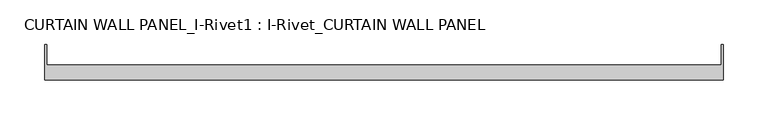
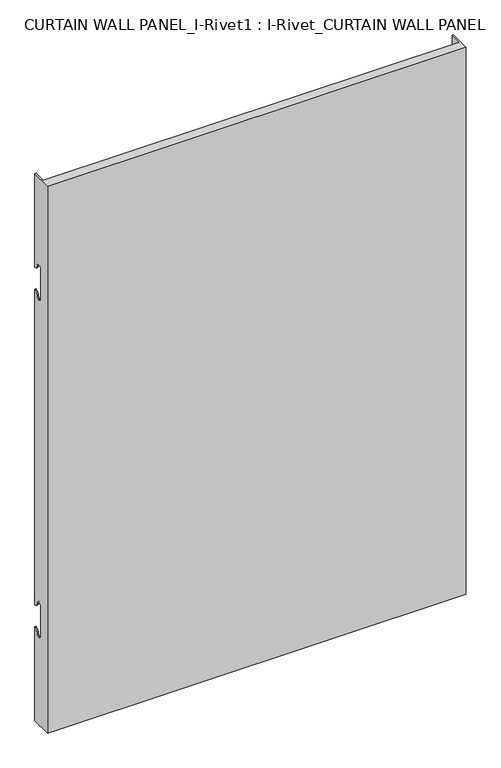
"""IFC4 building model written with IfcOpenShell, lengths in millimetres: plate geometry, CURTAIN WALL PANEL_I-Rivet1 : I-Rivet_CURTAIN WALL PANEL."""

import ifcopenshell
import ifcopenshell.guid

model = None  # the IFC model being written
_history = None  # IfcOwnerHistory: only IFC2X3 demands one
_inside = {}  # id of a spatial element -> (the spatial element, [elements in it])
_under = {}  # id of a project, library or spatial element -> (it, [spatial elements below it])
_declared = {}  # id of a project -> (the project, [libraries it declares])
_typed = {}  # id of a type object -> (the type object, [elements of that type])
_made_of = {}  # id of a material, layer set ... -> (it, [elements and type objects made of it])


def new_model(schema):
    """Start an empty IFC model of exactly this schema.

    Asked for "IFC4X3", IfcOpenShell would pick the latest addendum, in which some entities
    have other attributes; the version numbers below select the first issue.
    IFC2X3 requires an IfcOwnerHistory on every rooted entity: one is made here for all.
    """
    global model, _history
    if schema == "IFC4X3":
        model = ifcopenshell.file(schema_version=(4, 3, 0, 0))
    else:
        model = ifcopenshell.file(schema=schema)
    _inside.clear()
    _under.clear()
    _declared.clear()
    _typed.clear()
    _made_of.clear()
    _history = None
    if model.schema == "IFC2X3":
        org = make("IfcOrganization", Name="unknown")
        user = make(
            "IfcPersonAndOrganization",
            ThePerson=make("IfcPerson", FamilyName="unknown"),
            TheOrganization=org,
        )
        app = make(
            "IfcApplication",
            ApplicationDeveloper=org,
            Version="unknown",
            ApplicationFullName="unknown",
            ApplicationIdentifier="unknown",
        )
        _history = make(
            "IfcOwnerHistory",
            OwningUser=user,
            OwningApplication=app,
            ChangeAction="ADDED",
            CreationDate=0,
        )
    return model


def make(cls, **values):
    """One entity of the class cls with the attributes given. An attribute that is None is left unset."""
    return model.create_entity(
        cls, **{name: value for name, value in values.items() if value is not None}
    )


def rooted(cls, **values):
    """An entity with a GlobalId (a new one), such as an element, a storey or a relation."""
    return make(cls, GlobalId=ifcopenshell.guid.new(), OwnerHistory=_history, **values)


def si_unit(unit_type, name, prefix=None):
    """IfcSIUnit, for example si_unit("LENGTHUNIT", "METRE", prefix="MILLI")."""
    return make("IfcSIUnit", UnitType=unit_type, Prefix=prefix, Name=name)


def assignment(units):
    """IfcUnitAssignment: the units of a project."""
    return None if units is None else make("IfcUnitAssignment", Units=units)


def point(xyz):
    """IfcCartesianPoint."""
    return None if xyz is None else make("IfcCartesianPoint", Coordinates=xyz)


def direction(xyz):
    """IfcDirection."""
    return None if xyz is None else make("IfcDirection", DirectionRatios=xyz)


def frame(location, z_axis=None, x_axis=None):
    """IfcAxis2Placement3D, a coordinate frame: its origin and axes. An axis left out is left unset."""
    return make(
        "IfcAxis2Placement3D",
        Location=point(location),
        Axis=direction(z_axis),
        RefDirection=direction(x_axis),
    )


def origin():
    """The frame at (0, 0, 0) with its axes left unset."""
    return frame((0.0, 0.0, 0.0))


def place(relative_to, where):
    """IfcLocalPlacement: puts the frame where relative to a parent placement (None: the world)."""
    return make(
        "IfcLocalPlacement", PlacementRelTo=relative_to, RelativePlacement=where
    )


def context(
    kind, dimensions, precision=None, world=None, true_north=None, identifier=None
):
    """IfcGeometricRepresentationContext, for example the 3D "Model" context."""
    return make(
        "IfcGeometricRepresentationContext",
        ContextIdentifier=identifier,
        ContextType=kind,
        CoordinateSpaceDimension=dimensions,
        Precision=precision,
        WorldCoordinateSystem=world,
        TrueNorth=true_north,
    )


def project(units=None, contexts=None):
    """IfcProject with its units and contexts."""
    return rooted(
        "IfcProject",
        Name="project",
        RepresentationContexts=contexts,
        UnitsInContext=assignment(units),
    )


def spatial(cls, under=None, at=None, **own):
    """A site, building, storey or space (cls), placed at a placement, below another one or the project."""
    s = rooted(cls, ObjectPlacement=at, **own)
    if under is not None:
        _under.setdefault(under.id(), (under, []))[1].append(s)
    return s


def polyline(points):
    """IfcPolyline through the points."""
    return make("IfcPolyline", Points=[point(p) for p in points])


def circle_curve(where, radius):
    """IfcCircle in the frame where."""
    return make("IfcCircle", Position=where, Radius=radius)


def shape(context_of_items, identifier, shape_type, items):
    """IfcShapeRepresentation: the items that make up one representation, for example the "Body"."""
    return make(
        "IfcShapeRepresentation",
        ContextOfItems=context_of_items,
        RepresentationIdentifier=identifier,
        RepresentationType=shape_type,
        Items=items,
    )


def source(mapping_origin, context_of_items, identifier, shape_type, items):
    """IfcRepresentationMap: a shape defined once, which mapped items show again and again."""
    return make(
        "IfcRepresentationMap",
        MappingOrigin=mapping_origin,
        MappedRepresentation=shape(context_of_items, identifier, shape_type, items),
    )


def transform(
    local_origin,
    x_axis=None,
    y_axis=None,
    z_axis=None,
    scale=None,
    scale2=None,
    scale3=None,
    uniform=True,
):
    """IfcCartesianTransformationOperator3D, or its non-uniform kind. x_axis, y_axis, z_axis: its Axis1, 2, 3."""
    if uniform:
        return make(
            "IfcCartesianTransformationOperator3D",
            Axis1=direction(x_axis),
            Axis2=direction(y_axis),
            LocalOrigin=point(local_origin),
            Scale=scale,
            Axis3=direction(z_axis),
        )
    return make(
        "IfcCartesianTransformationOperator3DnonUniform",
        Axis1=direction(x_axis),
        Axis2=direction(y_axis),
        LocalOrigin=point(local_origin),
        Scale=scale,
        Axis3=direction(z_axis),
        Scale2=scale2,
        Scale3=scale3,
    )


def mapped(mapping_source, mapping_target):
    """IfcMappedItem: shows the shape of a source again, moved by a transform."""
    return make(
        "IfcMappedItem", MappingSource=mapping_source, MappingTarget=mapping_target
    )


def made_of(thing, what):
    """Note that an element or type object is made of a material, layer set ...; save() writes the relation."""
    if what is not None:
        _made_of.setdefault(what.id(), (what, []))[1].append(thing)
    return thing


def element(
    cls,
    number,
    at=None,
    inside=None,
    cuts=None,
    type_object=None,
    material=None,
    context=None,
    identifier="Body",
    shape_type=None,
    held_by="IfcProductDefinitionShape",
    body=None,
    shapes=None,
    **own,
):
    """One element of the class cls, such as IfcWall. Its Tag is "e" and its number.

    at: its placement. inside: the storey or other place that contains it. cuts: it is an
    opening in that element (IfcRelVoidsElement). A single representation is given by context,
    identifier, shape_type and body (its items); several are given by shapes. held_by: the class
    of the entity that holds the representations. save() writes the other relations.
    """
    e = rooted(cls, Tag="e%d" % number, ObjectPlacement=at, **own)
    if body is not None:
        shapes = [shape(context, identifier, shape_type, body)]
    if shapes is not None:
        e.Representation = make(held_by, Representations=shapes)
    if inside is not None:
        _inside.setdefault(inside.id(), (inside, []))[1].append(e)
    if cuts is not None:
        rooted(
            "IfcRelVoidsElement", RelatingBuildingElement=cuts, RelatedOpeningElement=e
        )
    if type_object is not None:
        _typed.setdefault(type_object.id(), (type_object, []))[1].append(e)
    return made_of(e, material)


def aggregate(whole, parts):
    """IfcRelAggregates: a whole, such as a stair, and the parts it consists of."""
    return rooted("IfcRelAggregates", RelatingObject=whole, RelatedObjects=parts)


def save(model, path):
    """Write the relations noted so far, then the file.

    IfcRelAggregates (storeys below a building ...), IfcRelContainedInSpatialStructure (elements
    in a storey), IfcRelDefinesByType, IfcRelAssociatesMaterial and IfcRelDeclares: one each for
    every whole, place, type object, material and project.
    """
    for whole, parts in _under.values():
        aggregate(whole, parts)
    for where, things in _inside.values():
        rooted(
            "IfcRelContainedInSpatialStructure",
            RelatedElements=things,
            RelatingStructure=where,
        )
    for kind, things in _typed.values():
        rooted("IfcRelDefinesByType", RelatedObjects=things, RelatingType=kind)
    for what, things in _made_of.values():
        rooted("IfcRelAssociatesMaterial", RelatedObjects=things, RelatingMaterial=what)
    for by, libraries in _declared.values():
        rooted("IfcRelDeclares", RelatingContext=by, RelatedDefinitions=libraries)
    model.write(path)


def plane_surface(at):
    """IfcPlane: the flat surface through the origin of the frame at, square to its z axis."""
    return make("IfcPlane", Position=at)


def cylinder_surface(at, radius):
    """IfcCylindricalSurface: all points at the distance radius from the z axis of the frame at."""
    return make("IfcCylindricalSurface", Position=at, Radius=radius)


def revolved_surface(curve, axis_point, axis_direction):
    """IfcSurfaceOfRevolution: the curve turned about the line through axis_point along axis_direction."""
    return make(
        "IfcSurfaceOfRevolution",
        SweptCurve=make("IfcArbitraryOpenProfileDef", ProfileType="CURVE", Curve=curve),
        AxisPosition=make("IfcAxis1Placement", Location=point(axis_point), Axis=direction(axis_direction)),
    )


def advanced_brep(points, edges, surfaces, faces):
    """IfcAdvancedBrep: a solid bounded by faces that lie on surfaces and meet in shared edges.

    An edge is (start, end): straight between two places in points (the first is 0);
    or (start, end, curve); or (start, end, curve, False) where it runs against its curve.
    A face is (place in surfaces, loops), or (place, loops, False) where it looks against
    its surface's normal. A loop lists edges by number (the first is 1), with a minus sign
    where the edge is run from its end to its start. The first loop is the outer one.
    """
    corners = [point(p) for p in points]
    vertices = [make("IfcVertexPoint", VertexGeometry=c) for c in corners]
    made = []
    for start, end, *more in edges:
        made.append(
            make(
                "IfcEdgeCurve",
                EdgeStart=vertices[start],
                EdgeEnd=vertices[end],
                EdgeGeometry=more[0] if more else make("IfcPolyline", Points=[corners[start], corners[end]]),
                SameSense=more[1] if len(more) > 1 else True,
            )
        )
    hull = []
    for where, loops, *sense in faces:
        bounds = []
        for j, loop in enumerate(loops):
            ring = [make("IfcOrientedEdge", EdgeElement=made[abs(k) - 1], Orientation=k > 0) for k in loop]
            bounds.append(
                make(
                    "IfcFaceOuterBound" if j == 0 else "IfcFaceBound",
                    Bound=make("IfcEdgeLoop", EdgeList=ring),
                    Orientation=True,
                )
            )
        hull.append(make("IfcAdvancedFace", Bounds=bounds, FaceSurface=surfaces[where], SameSense=sense[0] if sense else True))
    return make("IfcAdvancedBrep", Outer=make("IfcClosedShell", CfsFaces=hull))


def curtain_wall_panel_i_rivet1_i_rivet_curtain_wall_panel_6802e562(model_context):
    return source(origin(), model_context, "Body", "AdvancedBrep", [
        advanced_brep(
        [(-378.5, -85.0, 1045.0), (378.5, -85.0, 1045.0), (378.5, -45.3384103, 1045.0), (376.5, -45.3384103, 1045.0), (376.5, -68.0, 1045.0), (-376.5, -68.0, 1045.0), (-376.5, -45.3384103, 1045.0), (-378.5, -45.3384103, 1045.0), (-378.5, -85.0, 0.0), (-378.5, -45.3384103, 0.0), (-376.5, -45.3384103, 0.0), (-376.5, -68.0, 0.0), (376.5, -68.0, 0.0), (376.5, -45.3384103, 0.0), (378.5, -45.3384103, 0.0), (378.5, -85.0, 0.0), (-378.5, -45.3384103, 866.0), (-378.5, -52.3384103, 873.0), (-378.5, -63.3384103, 873.0), (-378.5, -63.3384103, 817.0), (-378.5, -52.3384103, 817.0), (-378.5, -45.3384103, 824.0), (-378.5, -45.3384103, 221.0), (-378.5, -52.3384103, 228.0), (-378.5, -63.3384103, 228.0), (-378.5, -63.3384103, 172.0), (-378.5, -52.3384103, 172.0), (-378.5, -45.3384103, 179.0), (-376.5, -45.3384103, 179.0), (-376.5, -45.3384103, 824.0), (-376.5, -45.3384103, 221.0), (-376.5, -45.3384103, 866.0), (378.5, -45.3384103, 866.0), (376.5, -45.3384103, 866.0), (376.5, -45.3384103, 179.0), (378.5, -45.3384103, 179.0), (376.5, -45.3384103, 221.0), (376.5, -45.3384103, 824.0), (378.5, -45.3384103, 824.0), (378.5, -45.3384103, 221.0), (378.5, -52.3384103, 172.0), (378.5, -63.3384103, 172.0), (378.5, -63.3384103, 228.0), (378.5, -52.3384103, 228.0), (378.5, -52.3384103, 817.0), (378.5, -63.3384103, 817.0), (378.5, -63.3384103, 873.0), (378.5, -52.3384103, 873.0), (-376.5, -52.3384103, 172.0), (-376.5, -63.3384103, 172.0), (-376.5, -63.3384103, 228.0), (-376.5, -52.3384103, 228.0), (-376.5, -52.3384103, 817.0), (-376.5, -63.3384103, 817.0), (-376.5, -63.3384103, 873.0), (-376.5, -52.3384103, 873.0), (376.5, -52.3384103, 873.0), (376.5, -63.3384103, 873.0), (376.5, -63.3384103, 817.0), (376.5, -52.3384103, 817.0), (376.5, -52.3384103, 228.0), (376.5, -63.3384103, 228.0), (376.5, -63.3384103, 172.0), (376.5, -52.3384103, 172.0)],
        [
            (0, 1),
            (1, 2),
            (2, 3),
            (3, 4),
            (4, 5),
            (5, 6),
            (6, 7),
            (7, 0),
            (8, 9),
            (9, 10),
            (10, 11),
            (11, 12),
            (12, 13),
            (13, 14),
            (14, 15),
            (15, 8),
            (7, 16),
            (16, 17, circle_curve(frame((-378.5, -45.3384103, 873.0), z_axis=(-1.0, 0.0, 0.0), x_axis=(0.0, -1.0, 0.0)), 7.0)),
            (17, 18, circle_curve(frame((-378.5, -57.8384103, 873.0), z_axis=(1.0, 0.0, 0.0), x_axis=(0.0, -1.0, 0.0)), 5.5)),
            (18, 19),
            (19, 20, circle_curve(frame((-378.5, -57.8384103, 817.0), z_axis=(1.0, 0.0, 0.0), x_axis=(0.0, -1.0, 0.0)), 5.5)),
            (20, 21, circle_curve(frame((-378.5, -45.3384103, 817.0), z_axis=(-1.0, 0.0, 0.0), x_axis=(0.0, -1.0, 0.0)), 7.0)),
            (21, 22),
            (22, 23, circle_curve(frame((-378.5, -45.3384103, 228.0), z_axis=(-1.0, 0.0, 0.0), x_axis=(0.0, -1.0, 0.0)), 7.0)),
            (23, 24, circle_curve(frame((-378.5, -57.8384103, 228.0), z_axis=(1.0, 0.0, 0.0), x_axis=(0.0, -1.0, 0.0)), 5.5)),
            (24, 25),
            (25, 26, circle_curve(frame((-378.5, -57.8384103, 172.0), z_axis=(1.0, 0.0, 0.0), x_axis=(0.0, -1.0, 0.0)), 5.5)),
            (26, 27, circle_curve(frame((-378.5, -45.3384103, 172.0), z_axis=(-1.0, 0.0, 0.0), x_axis=(0.0, -1.0, 0.0)), 7.0)),
            (27, 9),
            (8, 0),
            (27, 28),
            (28, 10),
            (21, 29),
            (29, 30),
            (30, 22),
            (6, 31),
            (31, 16),
            (2, 32),
            (32, 33),
            (33, 3),
            (13, 34),
            (34, 35),
            (35, 14),
            (36, 37),
            (37, 38),
            (38, 39),
            (39, 36),
            (1, 15),
            (35, 40, circle_curve(frame((378.5, -45.3384103, 172.0), z_axis=(1.0, 0.0, 0.0), x_axis=(0.0, -1.0, 0.0)), 7.0)),
            (40, 41, circle_curve(frame((378.5, -57.8384103, 172.0), z_axis=(-1.0, 0.0, 0.0), x_axis=(0.0, -1.0, 0.0)), 5.5)),
            (41, 42),
            (42, 43, circle_curve(frame((378.5, -57.8384103, 228.0), z_axis=(-1.0, 0.0, 0.0), x_axis=(0.0, -1.0, 0.0)), 5.5)),
            (43, 39, circle_curve(frame((378.5, -45.3384103, 228.0), z_axis=(1.0, 0.0, 0.0), x_axis=(0.0, -1.0, 0.0)), 7.0)),
            (38, 44, circle_curve(frame((378.5, -45.3384103, 817.0), z_axis=(1.0, 0.0, 0.0), x_axis=(0.0, -1.0, 0.0)), 7.0)),
            (44, 45, circle_curve(frame((378.5, -57.8384103, 817.0), z_axis=(-1.0, 0.0, 0.0), x_axis=(0.0, -1.0, 0.0)), 5.5)),
            (45, 46),
            (46, 47, circle_curve(frame((378.5, -57.8384103, 873.0), z_axis=(-1.0, 0.0, 0.0), x_axis=(0.0, -1.0, 0.0)), 5.5)),
            (47, 32, circle_curve(frame((378.5, -45.3384103, 873.0), z_axis=(1.0, 0.0, 0.0), x_axis=(0.0, -1.0, 0.0)), 7.0)),
            (5, 11),
            (28, 48, circle_curve(frame((-376.5, -45.3384103, 172.0), z_axis=(1.0, 0.0, 0.0), x_axis=(0.0, -1.0, 0.0)), 7.0)),
            (48, 49, circle_curve(frame((-376.5, -57.8384103, 172.0), z_axis=(-1.0, 0.0, 0.0), x_axis=(0.0, -1.0, 0.0)), 5.5)),
            (49, 50),
            (50, 51, circle_curve(frame((-376.5, -57.8384103, 228.0), z_axis=(-1.0, 0.0, 0.0), x_axis=(0.0, -1.0, 0.0)), 5.5)),
            (51, 30, circle_curve(frame((-376.5, -45.3384103, 228.0), z_axis=(1.0, 0.0, 0.0), x_axis=(0.0, -1.0, 0.0)), 7.0)),
            (29, 52, circle_curve(frame((-376.5, -45.3384103, 817.0), z_axis=(1.0, 0.0, 0.0), x_axis=(0.0, -1.0, 0.0)), 7.0)),
            (52, 53, circle_curve(frame((-376.5, -57.8384103, 817.0), z_axis=(-1.0, 0.0, 0.0), x_axis=(0.0, -1.0, 0.0)), 5.5)),
            (53, 54),
            (54, 55, circle_curve(frame((-376.5, -57.8384103, 873.0), z_axis=(-1.0, 0.0, 0.0), x_axis=(0.0, -1.0, 0.0)), 5.5)),
            (55, 31, circle_curve(frame((-376.5, -45.3384103, 873.0), z_axis=(1.0, 0.0, 0.0), x_axis=(0.0, -1.0, 0.0)), 7.0)),
            (33, 56, circle_curve(frame((376.5, -45.3384103, 873.0), z_axis=(-1.0, 0.0, 0.0), x_axis=(0.0, -1.0, 0.0)), 7.0)),
            (56, 57, circle_curve(frame((376.5, -57.8384103, 873.0), z_axis=(1.0, 0.0, 0.0), x_axis=(0.0, -1.0, 0.0)), 5.5)),
            (57, 58),
            (58, 59, circle_curve(frame((376.5, -57.8384103, 817.0), z_axis=(1.0, 0.0, 0.0), x_axis=(0.0, -1.0, 0.0)), 5.5)),
            (59, 37, circle_curve(frame((376.5, -45.3384103, 817.0), z_axis=(-1.0, 0.0, 0.0), x_axis=(0.0, -1.0, 0.0)), 7.0)),
            (36, 60, circle_curve(frame((376.5, -45.3384103, 228.0), z_axis=(-1.0, 0.0, 0.0), x_axis=(0.0, -1.0, 0.0)), 7.0)),
            (60, 61, circle_curve(frame((376.5, -57.8384103, 228.0), z_axis=(1.0, 0.0, 0.0), x_axis=(0.0, -1.0, 0.0)), 5.5)),
            (61, 62),
            (62, 63, circle_curve(frame((376.5, -57.8384103, 172.0), z_axis=(1.0, 0.0, 0.0), x_axis=(0.0, -1.0, 0.0)), 5.5)),
            (63, 34, circle_curve(frame((376.5, -45.3384103, 172.0), z_axis=(-1.0, 0.0, 0.0), x_axis=(0.0, -1.0, 0.0)), 7.0)),
            (12, 4),
            (41, 62),
            (61, 42),
            (49, 25),
            (24, 50),
            (40, 63),
            (48, 26),
            (51, 23),
            (43, 60),
            (18, 54),
            (53, 19),
            (57, 46),
            (45, 58),
            (17, 55),
            (56, 47),
            (59, 44),
            (20, 52),
        ],
        [
            plane_surface(frame((-378.5, -45.3384103, 1045.0), z_axis=(0.0, 0.0, 1.0), x_axis=(0.0, 1.0, 0.0))),
            plane_surface(frame((-378.5, -45.3384103, 0.0), z_axis=(0.0, 0.0, -1.0), x_axis=(0.0, -1.0, 0.0))),
            plane_surface(frame((-378.5, -85.0, 1045.0), z_axis=(-1.0, 0.0, 0.0), x_axis=(0.0, 0.0, -1.0))),
            plane_surface(frame((-378.5, -45.3384103, 1045.0), z_axis=(0.0, 1.0, 0.0), x_axis=(0.0, 0.0, -1.0))),
            plane_surface(frame((376.5, -45.3384103, 1045.0), z_axis=(0.0, 1.0, 0.0), x_axis=(0.0, 0.0, -1.0))),
            plane_surface(frame((378.5, -45.3384103, 1045.0), z_axis=(1.0, 0.0, 0.0), x_axis=(0.0, 0.0, -1.0))),
            plane_surface(frame((378.5, -85.0, 1045.0), z_axis=(0.0, -1.0, 0.0), x_axis=(0.0, 0.0, -1.0))),
            plane_surface(frame((-376.5, -45.3384103, 1045.0), z_axis=(1.0, 0.0, 0.0), x_axis=(0.0, 0.0, -1.0))),
            plane_surface(frame((376.5, -68.0, 1045.0), z_axis=(-1.0, 0.0, 0.0), x_axis=(0.0, 0.0, -1.0))),
            plane_surface(frame((-377.5, -68.0, 1045.0), z_axis=(0.0, 1.0, 0.0), x_axis=(0.0, 0.0, -1.0))),
            plane_surface(frame((-378.5, -63.3384103, 228.0), z_axis=(0.0, 1.0, 0.0), x_axis=(1.0, 0.0, 0.0))),
            revolved_surface(polyline([(376.5, -63.3384103, 172.0), (378.5, -63.3384103, 172.0)]), (-378.5, -57.8384103, 172.0), (-1.0, 0.0, 0.0)),
            revolved_surface(polyline([(-378.5, -63.3384103, 172.0), (-376.5, -63.3384103, 172.0)]), (-378.5, -57.8384103, 172.0), (-1.0, 0.0, 0.0)),
            cylinder_surface(frame((-378.5, -45.3384103, 172.0), z_axis=(1.0, 0.0, 0.0), x_axis=(0.0, -1.0, 0.0)), 7.0),
            cylinder_surface(frame((-378.5, -45.3384103, 228.0), z_axis=(1.0, 0.0, 0.0), x_axis=(0.0, -1.0, 0.0)), 7.0),
            revolved_surface(polyline([(-378.5, -63.3384103, 228.0), (-376.5, -63.3384103, 228.0)]), (-378.5, -57.8384103, 228.0), (-1.0, 0.0, 0.0)),
            revolved_surface(polyline([(376.5, -63.3384103, 228.0), (378.5, -63.3384103, 228.0)]), (-378.5, -57.8384103, 228.0), (-1.0, 0.0, 0.0)),
            plane_surface(frame((378.5, -63.3384103, 817.0), z_axis=(0.0, 1.0, 0.0), x_axis=(-1.0, 0.0, 0.0))),
            revolved_surface(polyline([(-376.5, -63.3384103, 873.0), (-378.5, -63.3384103, 873.0)]), (378.5, -57.8384103, 873.0), (1.0, 0.0, 0.0)),
            revolved_surface(polyline([(378.5, -63.3384103, 873.0), (376.5, -63.3384103, 873.0)]), (378.5, -57.8384103, 873.0), (1.0, 0.0, 0.0)),
            cylinder_surface(frame((378.5, -45.3384103, 873.0), z_axis=(-1.0, 0.0, 0.0), x_axis=(0.0, -1.0, 0.0)), 7.0),
            cylinder_surface(frame((378.5, -45.3384103, 817.0), z_axis=(-1.0, 0.0, 0.0), x_axis=(0.0, -1.0, 0.0)), 7.0),
            revolved_surface(polyline([(378.5, -63.3384103, 817.0), (376.5, -63.3384103, 817.0)]), (378.5, -57.8384103, 817.0), (1.0, 0.0, 0.0)),
            revolved_surface(polyline([(-376.5, -63.3384103, 817.0), (-378.5, -63.3384103, 817.0)]), (378.5, -57.8384103, 817.0), (1.0, 0.0, 0.0)),
        ],
        [
            (0, [[1, 2, 3, 4, 5, 6, 7, 8]]),
            (1, [[9, 10, 11, 12, 13, 14, 15, 16]]),
            (2, [[17, 18, 19, 20, 21, 22, 23, 24, 25, 26, 27, 28, 29, -9, 30, -8]]),
            (3, [[-29, 31, 32, -10]]),
            (3, [[-23, 33, 34, 35]]),
            (3, [[36, 37, -17, -7]]),
            (4, [[38, 39, 40, -3]]),
            (4, [[41, 42, 43, -14]]),
            (4, [[44, 45, 46, 47]]),
            (5, [[48, -15, -43, 49, 50, 51, 52, 53, -46, 54, 55, 56, 57, 58, -38, -2]]),
            (6, [[-30, -16, -48, -1]]),
            (7, [[59, -11, -32, 60, 61, 62, 63, 64, -34, 65, 66, 67, 68, 69, -36, -6]]),
            (8, [[-40, 70, 71, 72, 73, 74, -44, 75, 76, 77, 78, 79, -41, -13, 80, -4]]),
            (9, [[-80, -12, -59, -5]]),
            (10, [[-51, 81, -77, 82]]),
            (10, [[-62, 83, -26, 84]]),
            (11, [[-50, 85, -78, -81]]),
            (12, [[-61, 86, -27, -83]]),
            (13, [[-49, -42, -79, -85]]),
            (13, [[-60, -31, -28, -86]]),
            (14, [[-24, -35, -64, 87]]),
            (14, [[-75, -47, -53, 88]]),
            (15, [[-25, -87, -63, -84]]),
            (16, [[-76, -88, -52, -82]]),
            (17, [[-20, 89, -67, 90]]),
            (17, [[-72, 91, -56, 92]]),
            (18, [[-19, 93, -68, -89]]),
            (19, [[-71, 94, -57, -91]]),
            (20, [[-18, -37, -69, -93]]),
            (20, [[-70, -39, -58, -94]]),
            (21, [[-54, -45, -74, 95]]),
            (21, [[-65, -33, -22, 96]]),
            (22, [[-55, -95, -73, -92]]),
            (23, [[-66, -96, -21, -90]]),
        ],
    ),
    ])


if __name__ == "__main__":
    model = new_model("IFC4")
    model_context = context("Model", 3, world=origin())
    ifc_project = project(units=[si_unit("LENGTHUNIT", "METRE", prefix="MILLI")], contexts=[model_context])
    site = spatial("IfcSite", under=ifc_project)
    building = spatial("IfcBuilding", under=site)
    placement = place(None, origin())
    curtain_wall_panel_i_rivet1_i_rivet_curtain_wall_panel_shape = curtain_wall_panel_i_rivet1_i_rivet_curtain_wall_panel_6802e562(model_context)
    element("IfcPlate", 1, ObjectType="CURTAIN WALL PANEL_I-Rivet1 : I-Rivet_CURTAIN WALL PANEL", at=placement, inside=building, context=model_context, shape_type="MappedRepresentation", body=[
        mapped(curtain_wall_panel_i_rivet1_i_rivet_curtain_wall_panel_shape, transform((0.0, 0.0, 0.0), x_axis=(1.0, 0.0, 0.0), y_axis=(0.0, 1.0, 0.0), z_axis=(0.0, 0.0, 1.0))),
    ])
    save(model, "model.ifc")
